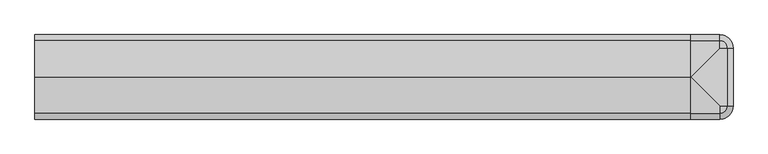
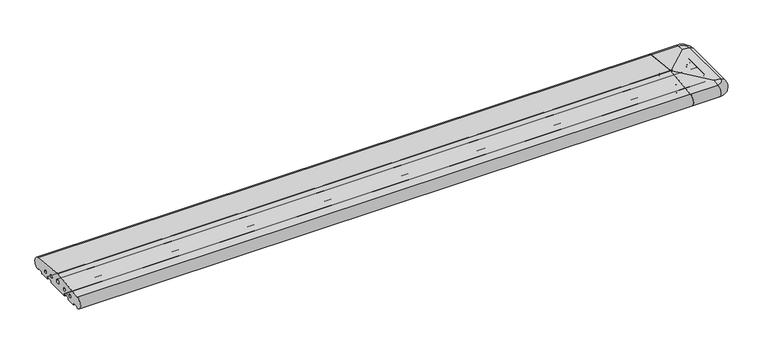
"""IFC4 building model written with IfcOpenShell, lengths in millimetres: proxy geometry."""

from ifc_helpers import new_model, si_unit, point, frame, frame_2d, origin, place, context, project, spatial, polyline, circle_curve, ellipse_curve, trimmed, segment, composite_curve, outline, extrude, source, transform, mapped, element, save
from ifc_brep_helpers import plane_surface, cylinder_surface, revolved_surface, advanced_brep


def generic_models_e5e15e1b(model_context):
    return source(origin(), model_context, "Body", "SolidModel", [
        advanced_brep(
        [(2590.0, 28.0858073, 50.4091909), (2618.0858073, 0.0, 50.4091909), (2616.5981483, 0.0, 2.5074549), (2590.0, 26.5981483, 2.5074549), (2615.7072001, 0.0, 3.0071443), (2590.0, 25.7072001, 3.0071443), (2613.6905989, 0.0, 6.5), (2590.0, 23.6905989, 6.5), (2611.9585481, 0.0, 7.5), (2590.0, 21.9585481, 7.5), (2611.9585481, -220.0, 7.5), (2590.0, -241.9585481, 7.5), (2480.0, -241.9585481, 7.5), (2480.0, -225.4848276, 7.5), (2590.0, -225.4848276, 7.5), (2595.4848276, -220.0, 7.5), (2595.4848276, 0.0, 7.5), (2590.0, 5.4848276, 7.5), (2480.0, 5.4848276, 7.5), (2480.0, 21.9585481, 7.5), (2593.7527767, 0.0, 6.5), (2590.0, 3.7527767, 6.5), (2590.0, 0.0, 0.0), (2590.0, 0.0, 53.7462575), (2480.0, 25.7072001, 3.0071443), (2480.0, 26.5981483, 2.5074549), (2480.0, 23.6905989, 6.5), (2480.0, 3.7527767, 6.5), (2480.0, 0.0, 0.0), (2480.0, 28.0858073, 50.4091909), (2480.0, -35.5, 0.0), (2480.0, -36.5, 1.0), (2480.0, -36.5, 7.0), (2480.0, -38.5, 9.0), (2480.0, -61.5, 9.0), (2480.0, -63.5, 7.0), (2480.0, -63.5, 1.0), (2480.0, -64.5, 0.0), (2480.0, -155.5, 0.0), (2480.0, -156.5, 1.0), (2480.0, -156.5, 7.0), (2480.0, -158.5, 9.0), (2480.0, -181.5, 9.0), (2480.0, -183.5, 7.0), (2480.0, -183.5, 1.0), (2480.0, -184.5, 0.0), (2480.0, -220.0, 0.0), (2480.0, -223.7527767, 6.5), (2480.0, -243.6905989, 6.5), (2480.0, -245.7072001, 3.0071443), (2480.0, -246.5981483, 2.5074549), (2480.0, -248.0858073, 50.4091909), (2480.0, -110.0, 66.8161089), (2480.0, -202.220606, 23.1932995), (2480.0, -190.220606, 23.1932995), (2480.0, -162.5, 27.912776), (2480.0, -150.5, 27.912776), (2480.0, -117.9558517, 33.3783502), (2480.0, -102.0441483, 33.3783502), (2480.0, -69.5, 27.912776), (2480.0, -57.5, 27.912776), (2480.0, -29.779394, 23.1932995), (2480.0, -17.779394, 23.1932995), (2590.0, -35.5, 0.0), (2590.0, -36.5, 1.0), (2590.0, -36.5, 7.0), (2590.0, -38.5, 9.0), (2590.0, -61.5, 9.0), (2590.0, -63.5, 7.0), (2590.0, -63.5, 1.0), (2590.0, -64.5, 0.0), (2590.0, -155.5, 0.0), (2590.0, -156.5, 1.0), (2590.0, -156.5, 7.0), (2590.0, -158.5, 9.0), (2590.0, -181.5, 9.0), (2590.0, -183.5, 7.0), (2590.0, -183.5, 1.0), (2590.0, -184.5, 0.0), (2590.0, -220.0, 0.0), (2590.0, -220.0, 53.7462575), (2590.0, -248.0858073, 50.4091909), (2590.0, -202.220606, 23.1932995), (2590.0, -190.220606, 23.1932995), (2590.0, -162.5, 27.912776), (2590.0, -150.5, 27.912776), (2590.0, -117.9558517, 33.3783502), (2590.0, -102.0441483, 33.3783502), (2590.0, -69.5, 27.912776), (2590.0, -57.5, 27.912776), (2590.0, -29.779394, 23.1932995), (2590.0, -17.779394, 23.1932995), (2618.0858073, -220.0, 50.4091909), (2590.0, -245.7072001, 3.0071443), (2590.0, -246.5981483, 2.5074549), (2590.0, -243.6905989, 6.5), (2590.0, -223.7527767, 6.5), (2616.5981483, -220.0, 2.5074549), (2615.7072001, -220.0, 3.0071443), (2613.6905989, -220.0, 6.5), (2593.7527767, -220.0, 6.5)],
        [
            (0, 1, circle_curve(frame((2590.0, 0.0, 50.4091909), z_axis=(0.0, 0.0, -1.0), x_axis=(1.0, 0.0, 0.0)), 28.0858073)),
            (1, 2, circle_curve(frame((2616.0, 0.0, 26.5), z_axis=(0.0, 1.0, 0.0), x_axis=(0.08690863944627836, 0.0, 0.9962162859487877)), 24.0)),
            (2, 3, circle_curve(frame((2590.0, 0.0, 2.5074549), z_axis=(0.0, 0.0, 1.0), x_axis=(1.0, 0.0, 0.0)), 26.5981483)),
            (3, 0, circle_curve(frame((2590.0, 26.0, 26.5), z_axis=(1.0, 0.0, 0.0), x_axis=(0.0, 0.08690863944627836, 0.9962162859487877)), 24.0)),
            (2, 4, circle_curve(frame((2616.5732255, 0.0, 3.5071443), z_axis=(0.0, 1.0000000000000002, 0.0), x_axis=(0.024922847684081085, 0.0, -0.999689377588517)), 1.0)),
            (4, 5, circle_curve(frame((2590.0, 0.0, 3.0071443), z_axis=(0.0, 0.0, 1.0), x_axis=(1.0, 0.0, 0.0)), 25.7072001)),
            (5, 3, circle_curve(frame((2590.0, 26.5732255, 3.5071443), z_axis=(1.0000000000000002, 0.0, 0.0), x_axis=(0.0, 0.024922847684081085, -0.999689377588517)), 1.0)),
            (4, 6),
            (6, 7, circle_curve(frame((2590.0, 0.0, 6.5), z_axis=(0.0, 0.0, 1.0), x_axis=(1.0, 0.0, 0.0)), 23.6905989)),
            (7, 5),
            (6, 8, circle_curve(frame((2611.9585481, 0.0, 5.5), z_axis=(0.0, -1.0, 0.0), x_axis=(0.8660254037844379, 0.0, 0.5000000000000012)), 2.0)),
            (8, 9, circle_curve(frame((2590.0, 0.0, 7.5), z_axis=(0.0, 0.0, 1.0), x_axis=(1.0, 0.0, 0.0)), 21.9585481)),
            (9, 7, circle_curve(frame((2590.0, 21.9585481, 5.5), z_axis=(-1.0, 0.0, 0.0), x_axis=(0.0, 0.8660254037844379, 0.5000000000000012)), 2.0)),
            (8, 10),
            (10, 11, circle_curve(frame((2590.0, -220.0, 7.5), z_axis=(0.0, 0.0, -1.0), x_axis=(1.0, 0.0, 0.0)), 21.9585481)),
            (11, 12),
            (12, 13),
            (13, 14),
            (14, 15, circle_curve(frame((2590.0, -220.0, 7.5), z_axis=(0.0, 0.0, 1.0), x_axis=(1.0, 0.0, 0.0)), 5.4848276)),
            (15, 16),
            (16, 17, circle_curve(frame((2590.0, 0.0, 7.5), z_axis=(0.0, 0.0, 1.0), x_axis=(1.0, 0.0, 0.0)), 5.4848276)),
            (17, 18),
            (18, 19),
            (19, 9),
            (16, 20, circle_curve(frame((2595.4848276, 0.0, 5.5), z_axis=(0.0, -1.0, 0.0), x_axis=(0.0, 0.0, 1.0)), 2.0)),
            (20, 21, circle_curve(frame((2590.0, 0.0, 6.5), z_axis=(0.0, 0.0, 1.0), x_axis=(1.0, 0.0, 0.0)), 3.7527767)),
            (21, 17, circle_curve(frame((2590.0, 5.4848276, 5.5), z_axis=(-1.0, 0.0, 0.0), x_axis=(0.0, 0.0, 1.0)), 2.0)),
            (20, 22),
            (22, 21),
            (0, 23),
            (23, 1),
            (24, 25, circle_curve(frame((2480.0, 26.5732255, 3.5071443), z_axis=(1.0, 0.0, 0.0), x_axis=(0.0, 0.024922847684081085, -0.999689377588517)), 1.0)),
            (25, 3),
            (5, 24),
            (26, 24),
            (7, 26),
            (19, 26, circle_curve(frame((2480.0, 21.9585481, 5.5), z_axis=(-1.0, 0.0, 0.0), x_axis=(0.0, 0.8660254037844379, 0.5000000000000012)), 2.0)),
            (27, 18, circle_curve(frame((2480.0, 5.4848276, 5.5), z_axis=(-1.0, 0.0, 0.0), x_axis=(0.0, 0.0, 1.0)), 2.0)),
            (21, 27),
            (28, 27),
            (22, 28),
            (25, 29, circle_curve(frame((2480.0, 26.0, 26.5), z_axis=(1.0, 0.0, 0.0), x_axis=(0.0, 0.08690863944627836, 0.9962162859487877)), 24.0)),
            (29, 0),
            (30, 31, circle_curve(frame((2480.0, -35.5, 1.0), z_axis=(-1.0, 0.0, 0.0), x_axis=(0.0, 0.0, -1.0)), 1.0)),
            (31, 32),
            (32, 33, circle_curve(frame((2480.0, -38.5, 7.0), z_axis=(1.0, 0.0, 0.0), x_axis=(0.0, 1.0, 0.0)), 2.0)),
            (33, 34),
            (34, 35, circle_curve(frame((2480.0, -61.5, 7.0), z_axis=(1.0, 0.0, 0.0), x_axis=(0.0, 0.0, 1.0)), 2.0)),
            (35, 36),
            (36, 37, circle_curve(frame((2480.0, -64.5, 1.0), z_axis=(-1.0, 0.0, 0.0), x_axis=(0.0, 1.0, 0.0)), 1.0)),
            (37, 38),
            (38, 39, circle_curve(frame((2480.0, -155.5, 1.0), z_axis=(-1.0, 0.0, 0.0), x_axis=(0.0, -1.0, 0.0)), 1.0)),
            (39, 40),
            (40, 41, circle_curve(frame((2480.0, -158.5, 7.0), z_axis=(1.0, 0.0, 0.0), x_axis=(0.0, 0.0, 1.0)), 2.0)),
            (41, 42),
            (42, 43, circle_curve(frame((2480.0, -181.5, 7.0), z_axis=(1.0, 0.0, 0.0), x_axis=(0.0, -1.0, 0.0)), 2.0)),
            (43, 44),
            (44, 45, circle_curve(frame((2480.0, -184.5, 1.0), z_axis=(-1.0, 0.0, 0.0), x_axis=(0.0, 0.0, -1.0)), 1.0)),
            (45, 46),
            (46, 47),
            (47, 13, circle_curve(frame((2480.0, -225.4848276, 5.5), z_axis=(1.0, 0.0, 0.0), x_axis=(0.0, 0.0, 1.0)), 2.0)),
            (12, 48, circle_curve(frame((2480.0, -241.9585481, 5.5), z_axis=(1.0, 0.0, 0.0), x_axis=(0.0, -0.8660254037844379, 0.5000000000000012)), 2.0)),
            (48, 49),
            (49, 50, circle_curve(frame((2480.0, -246.5732255, 3.5071443), z_axis=(-1.0, 0.0, 0.0), x_axis=(0.0, -0.024922847684081085, -0.999689377588517)), 1.0)),
            (50, 51, circle_curve(frame((2480.0, -246.0, 26.5), z_axis=(-1.0, 0.0, 0.0), x_axis=(0.0, -0.08690863944627836, 0.9962162859487877)), 24.0)),
            (51, 52),
            (52, 29),
            (28, 30),
            (53, 54, circle_curve(frame((2480.0, -196.220606, 23.1932995), z_axis=(1.0, 0.0, 0.0), x_axis=(0.0, 1.0, 0.0)), 6.0)),
            (54, 53, circle_curve(frame((2480.0, -196.220606, 23.1932995), z_axis=(1.0, 0.0, 0.0), x_axis=(0.0, 1.0, 0.0)), 6.0)),
            (55, 56, circle_curve(frame((2480.0, -156.5, 27.912776), z_axis=(1.0, 0.0, 0.0), x_axis=(0.0, 1.0, 0.0)), 6.0)),
            (56, 55, circle_curve(frame((2480.0, -156.5, 27.912776), z_axis=(1.0, 0.0, 0.0), x_axis=(0.0, 1.0, 0.0)), 6.0)),
            (57, 58, circle_curve(frame((2480.0, -110.0, 33.3783502), z_axis=(1.0, 0.0, 0.0), x_axis=(0.0, 1.0, 0.0)), 7.9558517)),
            (58, 57, circle_curve(frame((2480.0, -110.0, 33.3783502), z_axis=(1.0, 0.0, 0.0), x_axis=(0.0, 1.0, 0.0)), 7.9558517)),
            (59, 60, circle_curve(frame((2480.0, -63.5, 27.912776), z_axis=(1.0, 0.0, 0.0), x_axis=(0.0, 1.0, 0.0)), 6.0)),
            (60, 59, circle_curve(frame((2480.0, -63.5, 27.912776), z_axis=(1.0, 0.0, 0.0), x_axis=(0.0, 1.0, 0.0)), 6.0)),
            (61, 62, circle_curve(frame((2480.0, -23.779394, 23.1932995), z_axis=(1.0, 0.0, 0.0), x_axis=(0.0, 1.0, 0.0)), 6.0)),
            (62, 61, circle_curve(frame((2480.0, -23.779394, 23.1932995), z_axis=(1.0, 0.0, 0.0), x_axis=(0.0, 1.0, 0.0)), 6.0)),
            (30, 63),
            (63, 64, circle_curve(frame((2590.0, -35.5, 1.0), z_axis=(-1.0, 0.0, 0.0), x_axis=(0.0, 0.0, -1.0)), 1.0)),
            (64, 31),
            (64, 65),
            (65, 32),
            (65, 66, circle_curve(frame((2590.0, -38.5, 7.0), z_axis=(1.0, 0.0, 0.0), x_axis=(0.0, 1.0, 0.0)), 2.0)),
            (66, 33),
            (66, 67),
            (67, 34),
            (67, 68, circle_curve(frame((2590.0, -61.5, 7.0), z_axis=(1.0, 0.0, 0.0), x_axis=(0.0, 0.0, 1.0)), 2.0)),
            (68, 35),
            (68, 69),
            (69, 36),
            (69, 70, circle_curve(frame((2590.0, -64.5, 1.0), z_axis=(-1.0, 0.0, 0.0), x_axis=(0.0, 1.0, 0.0)), 1.0)),
            (70, 37),
            (70, 71),
            (71, 38),
            (71, 72, circle_curve(frame((2590.0, -155.5, 1.0), z_axis=(-1.0, 0.0, 0.0), x_axis=(0.0, -1.0, 0.0)), 1.0)),
            (72, 39),
            (72, 73),
            (73, 40),
            (73, 74, circle_curve(frame((2590.0, -158.5, 7.0), z_axis=(1.0, 0.0, 0.0), x_axis=(0.0, 0.0, 1.0)), 2.0)),
            (74, 41),
            (74, 75),
            (75, 42),
            (75, 76, circle_curve(frame((2590.0, -181.5, 7.0), z_axis=(1.0, 0.0, 0.0), x_axis=(0.0, -1.0, 0.0)), 2.0)),
            (76, 43),
            (76, 77),
            (77, 44),
            (77, 78, circle_curve(frame((2590.0, -184.5, 1.0), z_axis=(-1.0, 0.0, 0.0), x_axis=(0.0, 0.0, -1.0)), 1.0)),
            (78, 45),
            (78, 79),
            (79, 46),
            (80, 52),
            (51, 81),
            (81, 80),
            (52, 23),
            (22, 63),
            (53, 82),
            (82, 83, circle_curve(frame((2590.0, -196.220606, 23.1932995), z_axis=(1.0, 0.0, 0.0), x_axis=(0.0, 1.0, 0.0)), 6.0)),
            (83, 54),
            (83, 82, circle_curve(frame((2590.0, -196.220606, 23.1932995), z_axis=(1.0, 0.0, 0.0), x_axis=(0.0, 1.0, 0.0)), 6.0)),
            (55, 84),
            (84, 85, circle_curve(frame((2590.0, -156.5, 27.912776), z_axis=(1.0, 0.0, 0.0), x_axis=(0.0, 1.0, 0.0)), 6.0)),
            (85, 56),
            (85, 84, circle_curve(frame((2590.0, -156.5, 27.912776), z_axis=(1.0, 0.0, 0.0), x_axis=(0.0, 1.0, 0.0)), 6.0)),
            (57, 86),
            (86, 87, circle_curve(frame((2590.0, -110.0, 33.3783502), z_axis=(1.0, 0.0, 0.0), x_axis=(0.0, 1.0, 0.0)), 7.9558517)),
            (87, 58),
            (87, 86, circle_curve(frame((2590.0, -110.0, 33.3783502), z_axis=(1.0, 0.0, 0.0), x_axis=(0.0, 1.0, 0.0)), 7.9558517)),
            (59, 88),
            (88, 89, circle_curve(frame((2590.0, -63.5, 27.912776), z_axis=(1.0, 0.0, 0.0), x_axis=(0.0, 1.0, 0.0)), 6.0)),
            (89, 60),
            (89, 88, circle_curve(frame((2590.0, -63.5, 27.912776), z_axis=(1.0, 0.0, 0.0), x_axis=(0.0, 1.0, 0.0)), 6.0)),
            (61, 90),
            (90, 91, circle_curve(frame((2590.0, -23.779394, 23.1932995), z_axis=(1.0, 0.0, 0.0), x_axis=(0.0, 1.0, 0.0)), 6.0)),
            (91, 62),
            (91, 90, circle_curve(frame((2590.0, -23.779394, 23.1932995), z_axis=(1.0, 0.0, 0.0), x_axis=(0.0, 1.0, 0.0)), 6.0)),
            (80, 92),
            (92, 1),
            (49, 93),
            (93, 94, circle_curve(frame((2590.0, -246.5732255, 3.5071443), z_axis=(-1.0, 0.0, 0.0), x_axis=(0.0, -0.024922847684081085, -0.999689377588517)), 1.0)),
            (94, 50),
            (48, 95),
            (95, 93),
            (11, 95, circle_curve(frame((2590.0, -241.9585481, 5.5), z_axis=(1.0, 0.0, 0.0), x_axis=(0.0, -0.8660254037844379, 0.5000000000000012)), 2.0)),
            (47, 96),
            (96, 14, circle_curve(frame((2590.0, -225.4848276, 5.5), z_axis=(1.0, 0.0, 0.0), x_axis=(0.0, 0.0, 1.0)), 2.0)),
            (79, 96),
            (94, 81, circle_curve(frame((2590.0, -246.0, 26.5), z_axis=(-1.0, 0.0, 0.0), x_axis=(0.0, -0.08690863944627836, 0.9962162859487877)), 24.0)),
            (2, 97),
            (97, 98, circle_curve(frame((2616.5732255, -220.0, 3.5071443), z_axis=(0.0, 1.0, 0.0), x_axis=(0.024922847684081085, 0.0, -0.999689377588517)), 1.0)),
            (98, 4),
            (98, 99),
            (99, 6),
            (99, 10, circle_curve(frame((2611.9585481, -220.0, 5.5), z_axis=(0.0, -1.0, 0.0), x_axis=(0.8660254037844379, 0.0, 0.5000000000000012)), 2.0)),
            (15, 100, circle_curve(frame((2595.4848276, -220.0, 5.5), z_axis=(0.0, -1.0, 0.0), x_axis=(0.0, 0.0, 1.0)), 2.0)),
            (100, 20),
            (100, 79),
            (78, 71),
            (70, 63),
            (92, 97, circle_curve(frame((2616.0, -220.0, 26.5), z_axis=(0.0, 1.0, 0.0), x_axis=(0.08690863944627836, 0.0, 0.9962162859487877)), 24.0)),
            (100, 96, circle_curve(frame((2590.0, -220.0, 6.5), z_axis=(0.0, 0.0, -1.0), x_axis=(1.0, 0.0, 0.0)), 3.7527767)),
            (99, 95, circle_curve(frame((2590.0, -220.0, 6.5), z_axis=(0.0, 0.0, -1.0), x_axis=(1.0, 0.0, 0.0)), 23.6905989)),
            (98, 93, circle_curve(frame((2590.0, -220.0, 3.0071443), z_axis=(0.0, 0.0, -1.0), x_axis=(1.0, 0.0, 0.0)), 25.7072001)),
            (97, 94, circle_curve(frame((2590.0, -220.0, 2.5074549), z_axis=(0.0, 0.0, -1.0), x_axis=(1.0, 0.0, 0.0)), 26.5981483)),
            (92, 81, circle_curve(frame((2590.0, -220.0, 50.4091909), z_axis=(0.0, 0.0, -1.0), x_axis=(1.0, 0.0, 0.0)), 28.0858073)),
        ],
        [
            revolved_surface(trimmed(ellipse_curve(frame((2616.0, 0.0, 26.5), z_axis=(0.0, 1.0, 0.0), x_axis=(0.08690863944627836, 0.0, 0.9962162859487877)), 24.0, 24.0), [point((2618.0858073, 0.0, 50.4091909))], [point((2616.5981483, 0.0, 2.5074549))], True, "CARTESIAN"), (2590.0, 0.0, 53.7462575), (0.0, 0.0, -1.0)),
            revolved_surface(trimmed(ellipse_curve(frame((2616.5732255, 0.0, 3.5071443), z_axis=(0.0, 1.0000000000000002, 0.0), x_axis=(0.024922847684081085, 0.0, -0.999689377588517)), 1.0, 1.0), [point((2616.5981483, 0.0, 2.5074549))], [point((2615.7072001, 0.0, 3.0071443))], True, "CARTESIAN"), (2590.0, 0.0, 53.7462575), (0.0, 0.0, -1.0)),
            revolved_surface(polyline([(2615.7072001, 0.0, 3.0071443), (2613.6905989, 0.0, 6.5)]), (2590.0, 0.0, 53.7462575), (0.0, 0.0, -1.0)),
            revolved_surface(trimmed(ellipse_curve(frame((2611.9585481, 0.0, 5.5), z_axis=(0.0, -1.0, 0.0), x_axis=(0.8660254037844379, 0.0, 0.5000000000000012)), 2.0, 2.0), [point((2613.6905989, 0.0, 6.5))], [point((2611.9585481, 0.0, 7.5))], True, "CARTESIAN"), (2590.0, 0.0, 53.7462575), (0.0, 0.0, -1.0)),
            plane_surface(frame((2590.0, 0.0, 7.5), z_axis=(0.0, 0.0, -1.0), x_axis=(1.0, 0.0, 0.0))),
            revolved_surface(trimmed(ellipse_curve(frame((2595.4848276, 0.0, 5.5), z_axis=(0.0, -1.0, 0.0), x_axis=(0.0, 0.0, 1.0)), 2.0, 2.0), [point((2595.4848276, 0.0, 7.5))], [point((2593.7527767, 0.0, 6.5))], True, "CARTESIAN"), (2590.0, 0.0, 53.7462575), (0.0, 0.0, -1.0)),
            revolved_surface(polyline([(2593.7527767, 0.0, 6.5), (2590.0, 0.0, 0.0)]), (2590.0, 0.0, 53.7462575), (0.0, 0.0, -1.0)),
            revolved_surface(polyline([(2590.0, 0.0, 53.7462575), (2618.0858073, 0.0, 50.4091909)]), (2590.0, 0.0, 53.7462575), (0.0, 0.0, -1.0)),
            cylinder_surface(frame((2480.0, 26.5732255, 3.5071443), z_axis=(-1.0000000000000002, 0.0, 0.0), x_axis=(0.0, 0.024922847684081085, -0.999689377588517)), 1.0),
            plane_surface(frame((2480.0, 25.7072001, 3.0071443), z_axis=(0.0, -0.8660254037844368, -0.5000000000000032), x_axis=(1.0, 0.0, 0.0))),
            revolved_surface(polyline([(2590.0, 23.690598907568877, 6.500000000000003), (2480.0, 23.690598907568877, 6.500000000000003)]), (2480.0, 21.9585481, 5.5), (1.0, 0.0, 0.0)),
            revolved_surface(polyline([(2590.0, 5.4848276, 7.5), (2480.0, 5.4848276, 7.5)]), (2480.0, 5.4848276, 5.5), (1.0, 0.0, 0.0)),
            plane_surface(frame((2480.0, 3.7527767, 6.5), z_axis=(0.0, 0.8660254037844349, -0.5000000000000064), x_axis=(1.0, 0.0, 0.0))),
            cylinder_surface(frame((2480.0, 26.0, 26.5), z_axis=(-1.0, 0.0, 0.0), x_axis=(0.0, 0.08690863944627836, 0.9962162859487877)), 24.0),
            plane_surface(frame((2480.0, 0.0, 0.0), z_axis=(-1.0, 0.0, 0.0), x_axis=(0.0, 0.0, 1.0))),
            cylinder_surface(frame((2480.0, -35.5, 1.0), z_axis=(-1.0, 0.0, 0.0), x_axis=(0.0, 0.0, -1.0)), 1.0),
            plane_surface(frame((2480.0, -36.5, 1.0), z_axis=(0.0, -1.0, 0.0), x_axis=(1.0, 0.0, 0.0))),
            revolved_surface(polyline([(2590.0, -36.5, 7.0), (2480.0, -36.5, 7.0)]), (2480.0, -38.5, 7.0), (1.0, 0.0, 0.0)),
            plane_surface(frame((2480.0, -38.5, 9.0), z_axis=(0.0, 0.0, -1.0), x_axis=(1.0, 0.0, 0.0))),
            revolved_surface(polyline([(2590.0, -61.5, 9.0), (2480.0, -61.5, 9.0)]), (2480.0, -61.5, 7.0), (1.0, 0.0, 0.0)),
            plane_surface(frame((2480.0, -63.5, 7.0), z_axis=(0.0, 1.0, 0.0), x_axis=(1.0, 0.0, 0.0))),
            cylinder_surface(frame((2480.0, -64.5, 1.0), z_axis=(-1.0, 0.0, 0.0), x_axis=(0.0, 1.0, 0.0)), 1.0),
            plane_surface(frame((2480.0, -64.5, 0.0), z_axis=(0.0, 0.0, -1.0), x_axis=(1.0, 0.0, 0.0))),
            cylinder_surface(frame((2480.0, -155.5, 1.0), z_axis=(-1.0, 0.0, 0.0), x_axis=(0.0, -1.0, 0.0)), 1.0),
            plane_surface(frame((2480.0, -156.5, 1.0), z_axis=(0.0, -1.0, 0.0), x_axis=(1.0, 0.0, 0.0))),
            revolved_surface(polyline([(2590.0, -158.5, 9.0), (2480.0, -158.5, 9.0)]), (2480.0, -158.5, 7.0), (1.0, 0.0, 0.0)),
            plane_surface(frame((2480.0, -158.5, 9.0), z_axis=(0.0, 0.0, -1.0), x_axis=(1.0, 0.0, 0.0))),
            revolved_surface(polyline([(2590.0, -183.5, 7.0), (2480.0, -183.5, 7.0)]), (2480.0, -181.5, 7.0), (1.0, 0.0, 0.0)),
            plane_surface(frame((2480.0, -183.5, 7.0), z_axis=(0.0, 1.0, 0.0), x_axis=(1.0, 0.0, 0.0))),
            cylinder_surface(frame((2480.0, -184.5, 1.0), z_axis=(-1.0, 0.0, 0.0), x_axis=(0.0, 0.0, -1.0)), 1.0),
            plane_surface(frame((2480.0, -184.5, 0.0), z_axis=(0.0, 0.0, -1.0), x_axis=(1.0, 0.0, 0.0))),
            plane_surface(frame((2480.0, -220.0, 53.7462575), z_axis=(0.0, -0.11798691299107526, 0.9930151501174777), x_axis=(1.0, 0.0, 0.0))),
            plane_surface(frame((2480.0, -110.0, 66.8161089), z_axis=(0.0, 0.11798691299107526, 0.9930151501174777), x_axis=(1.0, 0.0, 0.0))),
            plane_surface(frame((2480.0, 0.0, 0.0), z_axis=(0.0, 0.0, -1.0), x_axis=(1.0, 0.0, 0.0))),
            revolved_surface(polyline([(2590.0, -190.220606, 23.1932995), (2480.0, -190.220606, 23.1932995)]), (2480.0, -196.220606, 23.1932995), (1.0, 0.0, 0.0)),
            revolved_surface(polyline([(2590.0, -150.5, 27.912776), (2480.0, -150.5, 27.912776)]), (2480.0, -156.5, 27.912776), (1.0, 0.0, 0.0)),
            revolved_surface(polyline([(2590.0, -102.0441483, 33.3783502), (2480.0, -102.0441483, 33.3783502)]), (2480.0, -110.0, 33.3783502), (1.0, 0.0, 0.0)),
            revolved_surface(polyline([(2590.0, -57.5, 27.912776), (2480.0, -57.5, 27.912776)]), (2480.0, -63.5, 27.912776), (1.0, 0.0, 0.0)),
            revolved_surface(polyline([(2590.0, -17.779394, 23.1932995), (2480.0, -17.779394, 23.1932995)]), (2480.0, -23.779394, 23.1932995), (1.0, 0.0, 0.0)),
            plane_surface(frame((2480.0, -250.0, 66.8161089), z_axis=(0.11798691299108029, 0.0, 0.993015150117477), x_axis=(0.0, 1.0, 0.0))),
            cylinder_surface(frame((2480.0, -246.5732255, 3.5071443), z_axis=(-1.0000000000000002, 0.0, 0.0), x_axis=(0.0, -0.024922847684081085, -0.999689377588517)), 1.0),
            plane_surface(frame((2480.0, -243.6905989, 6.5), z_axis=(0.0, 0.8660254037844368, -0.5000000000000032), x_axis=(1.0, 0.0, 0.0))),
            revolved_surface(polyline([(2590.0, -243.69059890756887, 6.500000000000003), (2480.0, -243.69059890756887, 6.500000000000003)]), (2480.0, -241.9585481, 5.5), (1.0, 0.0, 0.0)),
            revolved_surface(polyline([(2590.0, -225.4848276, 7.5), (2480.0, -225.4848276, 7.5)]), (2480.0, -225.4848276, 5.5), (1.0, 0.0, 0.0)),
            plane_surface(frame((2480.0, -220.0, 0.0), z_axis=(0.0, -0.8660254037844349, -0.5000000000000064), x_axis=(1.0, 0.0, 0.0))),
            cylinder_surface(frame((2480.0, -246.0, 26.5), z_axis=(-1.0, 0.0, 0.0), x_axis=(0.0, -0.08690863944627836, 0.9962162859487877)), 24.0),
            cylinder_surface(frame((2616.5732255, 0.0, 3.5071443), z_axis=(0.0, 1.0000000000000002, 0.0), x_axis=(0.024922847684081085, 0.0, -0.999689377588517)), 1.0),
            plane_surface(frame((2615.7072001, 0.0, 3.0071443), z_axis=(-0.8660254037844368, 0.0, -0.5000000000000032), x_axis=(0.0, -1.0, 0.0))),
            revolved_surface(polyline([(2613.690598907569, -220.0, 6.500000000000003), (2613.690598907569, 0.0, 6.500000000000003)]), (2611.9585481, 0.0, 5.5), (0.0, -1.0, 0.0)),
            revolved_surface(polyline([(2595.4848276, -220.0, 7.5), (2595.4848276, 0.0, 7.5)]), (2595.4848276, 0.0, 5.5), (0.0, -1.0, 0.0)),
            plane_surface(frame((2593.7527767, 0.0, 6.5), z_axis=(0.8660254037844349, 0.0, -0.5000000000000064), x_axis=(0.0, -1.0, 0.0))),
            plane_surface(frame((2590.0, 0.0, 0.0), z_axis=(-1.0, 0.0, 0.0), x_axis=(0.0, -1.0, 0.0))),
            cylinder_surface(frame((2616.0, 0.0, 26.5), z_axis=(0.0, 1.0, 0.0), x_axis=(0.08690863944627836, 0.0, 0.9962162859487877)), 24.0),
            revolved_surface(polyline([(2590.0, -220.0, 0.0), (2593.7527767, -220.0, 6.5)]), (2590.0, -220.0, 12.5), (0.0, 0.0, 1.0)),
            revolved_surface(trimmed(ellipse_curve(frame((2595.4848276, -220.0, 5.5), z_axis=(0.0, 1.0, 0.0), x_axis=(0.0, 0.0, 1.0)), 2.0, 2.0), [point((2593.7527767, -220.0, 6.5))], [point((2595.4848276, -220.0, 7.5))], True, "CARTESIAN"), (2590.0, -220.0, 12.5), (0.0, 0.0, 1.0)),
            revolved_surface(trimmed(ellipse_curve(frame((2611.9585481, -220.0, 5.5), z_axis=(0.0, 1.0, 0.0), x_axis=(0.8660254037844379, 0.0, 0.5000000000000012)), 2.0, 2.0), [point((2611.9585481, -220.0, 7.5))], [point((2613.6905989, -220.0, 6.5))], True, "CARTESIAN"), (2590.0, -220.0, 12.5), (0.0, 0.0, 1.0)),
            revolved_surface(polyline([(2613.6905989, -220.0, 6.5), (2615.7072001, -220.0, 3.0071443)]), (2590.0, -220.0, 12.5), (0.0, 0.0, 1.0)),
            revolved_surface(trimmed(ellipse_curve(frame((2616.5732255, -220.0, 3.5071443), z_axis=(0.0, -1.0000000000000002, 0.0), x_axis=(0.024922847684081085, 0.0, -0.999689377588517)), 1.0, 1.0), [point((2615.7072001, -220.0, 3.0071443))], [point((2616.5981483, -220.0, 2.5074549))], True, "CARTESIAN"), (2590.0, -220.0, 12.5), (0.0, 0.0, 1.0)),
            revolved_surface(trimmed(ellipse_curve(frame((2616.0, -220.0, 26.5), z_axis=(0.0, -1.0, 0.0), x_axis=(0.08690863944627836, 0.0, 0.9962162859487877)), 24.0, 24.0), [point((2616.5981483, -220.0, 2.5074549))], [point((2618.0858073, -220.0, 50.4091909))], True, "CARTESIAN"), (2590.0, -220.0, 12.5), (0.0, 0.0, 1.0)),
            revolved_surface(polyline([(2618.0858073, -220.0, 50.4091909), (2590.0, -220.0, 53.7462575)]), (2590.0, -220.0, 12.5), (0.0, 0.0, 1.0)),
        ],
        [
            (0, [[1, 2, 3, 4]]),
            (1, [[-3, 5, 6, 7]]),
            (2, [[-6, 8, 9, 10]]),
            (3, [[-9, 11, 12, 13]]),
            (4, [[-12, 14, 15, 16, 17, 18, 19, 20, 21, 22, 23, 24]]),
            (5, [[-21, 25, 26, 27]]),
            (6, [[-26, 28, 29]]),
            (7, [[-1, 30, 31]]),
            (8, [[32, 33, -7, 34]]),
            (9, [[35, -34, -10, 36]]),
            (10, [[37, -36, -13, -24]]),
            (11, [[38, -22, -27, 39]]),
            (12, [[40, -39, -29, 41]]),
            (13, [[42, 43, -4, -33]]),
            (14, [[44, 45, 46, 47, 48, 49, 50, 51, 52, 53, 54, 55, 56, 57, 58, 59, 60, 61, -17, 62, 63, 64, 65, 66, 67, -42, -32, -35, -37, -23, -38, -40, 68], [69, 70], [71, 72], [73, 74], [75, 76], [77, 78]]),
            (15, [[-44, 79, 80, 81]]),
            (16, [[-45, -81, 82, 83]]),
            (17, [[-46, -83, 84, 85]]),
            (18, [[-47, -85, 86, 87]]),
            (19, [[-48, -87, 88, 89]]),
            (20, [[-49, -89, 90, 91]]),
            (21, [[-50, -91, 92, 93]]),
            (22, [[-51, -93, 94, 95]]),
            (23, [[-52, -95, 96, 97]]),
            (24, [[-53, -97, 98, 99]]),
            (25, [[-54, -99, 100, 101]]),
            (26, [[-55, -101, 102, 103]]),
            (27, [[-56, -103, 104, 105]]),
            (28, [[-57, -105, 106, 107]]),
            (29, [[-58, -107, 108, 109]]),
            (30, [[-59, -109, 110, 111]]),
            (31, [[112, -66, 113, 114]]),
            (32, [[115, -30, -43, -67]]),
            (33, [[-68, -41, 116, -79]]),
            (34, [[-69, 117, 118, 119]]),
            (34, [[-70, -119, 120, -117]]),
            (35, [[-71, 121, 122, 123]]),
            (35, [[-72, -123, 124, -121]]),
            (36, [[-73, 125, 126, 127]]),
            (36, [[-74, -127, 128, -125]]),
            (37, [[-75, 129, 130, 131]]),
            (37, [[-76, -131, 132, -129]]),
            (38, [[-77, 133, 134, 135]]),
            (38, [[-78, -135, 136, -133]]),
            (39, [[-112, 137, 138, -31, -115]]),
            (40, [[-64, 139, 140, 141]]),
            (41, [[-63, 142, 143, -139]]),
            (42, [[-62, -16, 144, -142]]),
            (43, [[-61, 145, 146, -18]]),
            (44, [[-60, -111, 147, -145]]),
            (45, [[-65, -141, 148, -113]]),
            (46, [[149, 150, 151, -5]]),
            (47, [[-151, 152, 153, -8]]),
            (48, [[-153, 154, -14, -11]]),
            (49, [[-20, 155, 156, -25]]),
            (50, [[-156, 157, -110, 158, -94, 159, -116, -28]]),
            (51, [[-118, -120]]),
            (51, [[-122, -124]]),
            (51, [[-126, -128]]),
            (51, [[-130, -132]]),
            (51, [[-134, -136]]),
            (51, [[-158, -108, -106, -104, -102, -100, -98, -96]]),
            (51, [[-159, -92, -90, -88, -86, -84, -82, -80]]),
            (52, [[-149, -2, -138, 160]]),
            (53, [[161, -147, -157]]),
            (54, [[-161, -155, -19, -146]]),
            (55, [[-15, -154, 162, -144]]),
            (56, [[-162, -152, 163, -143]]),
            (57, [[-163, -150, 164, -140]]),
            (58, [[-164, -160, 165, -148]]),
            (59, [[-165, -137, -114]]),
        ],
    ),
        extrude(outline(composite_curve([segment(trimmed(circle_curve(frame_2d((26.5732255, 3.5071443)), 1.0), [point((26.5981483, 2.5074549))], [point((25.7072001, 3.0071443))], False, "CARTESIAN"), True, "CONTINUOUS"), segment(polyline([(25.7072001, 3.0071443), (23.6905989, 6.5)]), True, "CONTINUOUS"), segment(trimmed(circle_curve(frame_2d((21.9585481, 5.5)), 2.0), [point((23.6905989, 6.5))], [point((21.9585481, 7.5))], True, "CARTESIAN"), True, "CONTINUOUS"), segment(polyline([(21.9585481, 7.5), (5.4848276, 7.5)]), True, "CONTINUOUS"), segment(trimmed(circle_curve(frame_2d((5.4848276, 5.5)), 2.0), [point((5.4848276, 7.5))], [point((3.7527767, 6.5))], True, "CARTESIAN"), True, "CONTINUOUS"), segment(polyline([(3.7527767, 6.5), (0.2886751, 0.5)]), True, "CONTINUOUS"), segment(trimmed(circle_curve(frame_2d((-0.5773503, 1.0)), 1.0), [point((0.2886751, 0.5))], [point((-0.5773503, 0.0))], False, "CARTESIAN"), True, "CONTINUOUS"), segment(polyline([(-0.5773503, 0.0), (-35.5, 0.0)]), True, "CONTINUOUS"), segment(trimmed(circle_curve(frame_2d((-35.5, 1.0)), 1.0), [point((-35.5, 0.0))], [point((-36.5, 1.0))], False, "CARTESIAN"), True, "CONTINUOUS"), segment(polyline([(-36.5, 1.0), (-36.5, 7.0)]), True, "CONTINUOUS"), segment(trimmed(circle_curve(frame_2d((-38.5, 7.0)), 2.0), [point((-36.5, 7.0))], [point((-38.5, 9.0))], True, "CARTESIAN"), True, "CONTINUOUS"), segment(polyline([(-38.5, 9.0), (-61.5, 9.0)]), True, "CONTINUOUS"), segment(trimmed(circle_curve(frame_2d((-61.5, 7.0)), 2.0), [point((-61.5, 9.0))], [point((-63.5, 7.0))], True, "CARTESIAN"), True, "CONTINUOUS"), segment(polyline([(-63.5, 7.0), (-63.5, 1.0)]), True, "CONTINUOUS"), segment(trimmed(circle_curve(frame_2d((-64.5, 1.0)), 1.0), [point((-63.5, 1.0))], [point((-64.5, 0.0))], False, "CARTESIAN"), True, "CONTINUOUS"), segment(polyline([(-64.5, 0.0), (-155.5, 0.0)]), True, "CONTINUOUS"), segment(trimmed(circle_curve(frame_2d((-155.5, 1.0)), 1.0), [point((-155.5, 0.0))], [point((-156.5, 1.0))], False, "CARTESIAN"), True, "CONTINUOUS"), segment(polyline([(-156.5, 1.0), (-156.5, 7.0)]), True, "CONTINUOUS"), segment(trimmed(circle_curve(frame_2d((-158.5, 7.0)), 2.0), [point((-156.5, 7.0))], [point((-158.5, 9.0))], True, "CARTESIAN"), True, "CONTINUOUS"), segment(polyline([(-158.5, 9.0), (-181.5, 9.0)]), True, "CONTINUOUS"), segment(trimmed(circle_curve(frame_2d((-181.5, 7.0)), 2.0), [point((-181.5, 9.0))], [point((-183.5, 7.0))], True, "CARTESIAN"), True, "CONTINUOUS"), segment(polyline([(-183.5, 7.0), (-183.5, 1.0)]), True, "CONTINUOUS"), segment(trimmed(circle_curve(frame_2d((-184.5, 1.0)), 1.0), [point((-183.5, 1.0))], [point((-184.5, 0.0))], False, "CARTESIAN"), True, "CONTINUOUS"), segment(polyline([(-184.5, 0.0), (-219.4226497, 0.0)]), True, "CONTINUOUS"), segment(trimmed(circle_curve(frame_2d((-219.4226497, 1.0)), 1.0), [point((-219.4226497, 0.0))], [point((-220.2886751, 0.5))], False, "CARTESIAN"), True, "CONTINUOUS"), segment(polyline([(-220.2886751, 0.5), (-223.7527767, 6.5)]), True, "CONTINUOUS"), segment(trimmed(circle_curve(frame_2d((-225.4848276, 5.5)), 2.0), [point((-223.7527767, 6.5))], [point((-225.4848276, 7.5))], True, "CARTESIAN"), True, "CONTINUOUS"), segment(polyline([(-225.4848276, 7.5), (-241.9585481, 7.5)]), True, "CONTINUOUS"), segment(trimmed(circle_curve(frame_2d((-241.9585481, 5.5)), 2.0), [point((-241.9585481, 7.5))], [point((-243.6905989, 6.5))], True, "CARTESIAN"), True, "CONTINUOUS"), segment(polyline([(-243.6905989, 6.5), (-245.7072001, 3.0071443)]), True, "CONTINUOUS"), segment(trimmed(circle_curve(frame_2d((-246.5732255, 3.5071443)), 1.0), [point((-245.7072001, 3.0071443))], [point((-246.5981483, 2.5074549))], False, "CARTESIAN"), True, "CONTINUOUS"), segment(trimmed(circle_curve(frame_2d((-246.0, 26.5)), 24.0), [point((-246.5981483, 2.5074549))], [point((-248.0858073, 50.4091909))], False, "CARTESIAN"), True, "CONTINUOUS"), segment(polyline([(-248.0858073, 50.4091909), (-110.0, 66.8161089), (28.0858073, 50.4091909)]), True, "CONTINUOUS"), segment(trimmed(circle_curve(frame_2d((26.0, 26.5)), 24.0), [point((28.0858073, 50.4091909))], [point((26.5981483, 2.5074549))], False, "CARTESIAN"), True, "CONTINUOUS")], self_intersect=False), holes=[composite_curve([segment(trimmed(circle_curve(frame_2d((-196.220606, 23.1932995)), 6.0), [point((-202.220606, 23.1932995))], [point((-190.220606, 23.1932995))], True, "CARTESIAN"), True, "CONTINUOUS"), segment(trimmed(circle_curve(frame_2d((-196.220606, 23.1932995)), 6.0), [point((-190.220606, 23.1932995))], [point((-202.220606, 23.1932995))], True, "CARTESIAN"), True, "CONTINUOUS")], self_intersect=False), composite_curve([segment(trimmed(circle_curve(frame_2d((-110.0, 33.3783502)), 7.9558517), [point((-117.9558517, 33.3783502))], [point((-102.0441483, 33.3783502))], True, "CARTESIAN"), True, "CONTINUOUS"), segment(trimmed(circle_curve(frame_2d((-110.0, 33.3783502)), 7.9558517), [point((-102.0441483, 33.3783502))], [point((-117.9558517, 33.3783502))], True, "CARTESIAN"), True, "CONTINUOUS")], self_intersect=False), composite_curve([segment(trimmed(circle_curve(frame_2d((-63.5, 27.912776)), 6.0), [point((-69.5, 27.912776))], [point((-57.5, 27.912776))], True, "CARTESIAN"), True, "CONTINUOUS"), segment(trimmed(circle_curve(frame_2d((-63.5, 27.912776)), 6.0), [point((-57.5, 27.912776))], [point((-69.5, 27.912776))], True, "CARTESIAN"), True, "CONTINUOUS")], self_intersect=False), composite_curve([segment(trimmed(circle_curve(frame_2d((-23.779394, 23.1932995)), 6.0), [point((-29.779394, 23.1932995))], [point((-17.779394, 23.1932995))], True, "CARTESIAN"), True, "CONTINUOUS"), segment(trimmed(circle_curve(frame_2d((-23.779394, 23.1932995)), 6.0), [point((-17.779394, 23.1932995))], [point((-29.779394, 23.1932995))], True, "CARTESIAN"), True, "CONTINUOUS")], self_intersect=False), composite_curve([segment(trimmed(circle_curve(frame_2d((-156.5, 27.912776)), 6.0), [point((-162.5, 27.912776))], [point((-150.5, 27.912776))], True, "CARTESIAN"), True, "CONTINUOUS"), segment(trimmed(circle_curve(frame_2d((-156.5, 27.912776)), 6.0), [point((-150.5, 27.912776))], [point((-162.5, 27.912776))], True, "CARTESIAN"), True, "CONTINUOUS")], self_intersect=False)]), frame((0.0, 0.0, 0.0), z_axis=(1.0, 0.0, 0.0), x_axis=(0.0, 1.0, 0.0)), (0.0, 0.0, 1.0), 2480.0),
    ])


if __name__ == "__main__":
    model = new_model("IFC4")
    model_context = context("Model", 3, world=origin())
    ifc_project = project(units=[si_unit("LENGTHUNIT", "METRE", prefix="MILLI")], contexts=[model_context])
    site = spatial("IfcSite", under=ifc_project)
    building = spatial("IfcBuilding", under=site)
    placement = place(None, origin())
    generic_models_shape = generic_models_e5e15e1b(model_context)
    element("IfcBuildingElementProxy", 1, Name="Generic Models", at=placement, inside=building, context=model_context, shape_type="MappedRepresentation", body=[
        mapped(generic_models_shape, transform((0.0, 0.0, 0.0), x_axis=(1.0, 0.0, 0.0), y_axis=(0.0, 1.0, 0.0), z_axis=(0.0, 0.0, 1.0))),
    ])
    save(model, "model.ifc")
